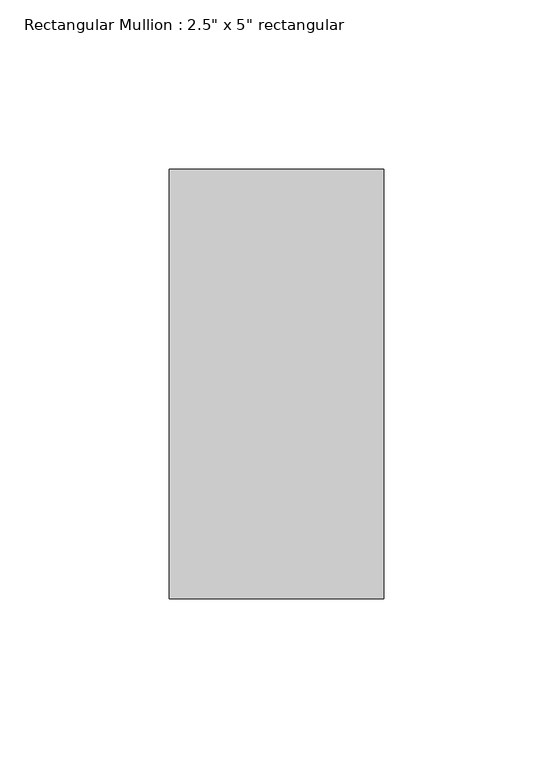
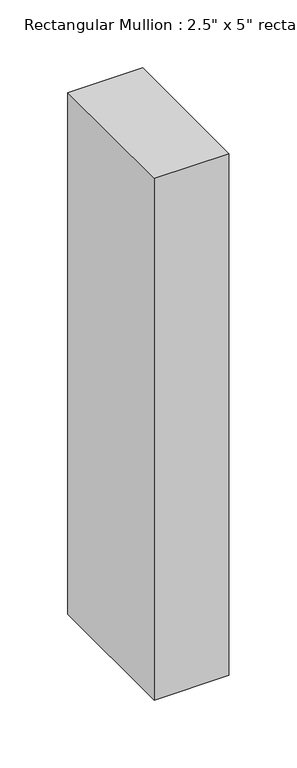
"""IFC4 building model written with IfcOpenShell, lengths in millimetres: member geometry."""

from ifc_helpers import new_model, si_unit, frame, origin, place, context, project, spatial, polyline, outline, extrude, source, transform, mapped, element, save


def member_ee9bb386(model_context):
    return source(origin(), model_context, "Body", "SweptSolid", [
        extrude(outline(polyline([(0.0, 63.5), (0.0, -63.5), (-63.5, -63.5), (-63.5, 63.5), (0.0, 63.5)])), frame((0.0, 0.0, -469.218523), z_axis=(0.0, 0.0, 1.0), x_axis=(1.0, 0.0, 0.0)), (0.0, 0.0, 1.0), 469.218523),
    ])


if __name__ == "__main__":
    model = new_model("IFC4")
    model_context = context("Model", 3, world=origin())
    ifc_project = project(units=[si_unit("LENGTHUNIT", "METRE", prefix="MILLI")], contexts=[model_context])
    site = spatial("IfcSite", under=ifc_project)
    building = spatial("IfcBuilding", under=site)
    placement = place(None, origin())
    member_shape = member_ee9bb386(model_context)
    element("IfcMember", 1, ObjectType="Rectangular Mullion : 2.5\" x 5\" rectangular", at=placement, inside=building, context=model_context, shape_type="MappedRepresentation", body=[
        mapped(member_shape, transform((0.0, 0.0, 0.0), x_axis=(1.0, 0.0, 0.0), y_axis=(0.0, 1.0, 0.0), z_axis=(0.0, 0.0, 1.0))),
    ])
    save(model, "model.ifc")
